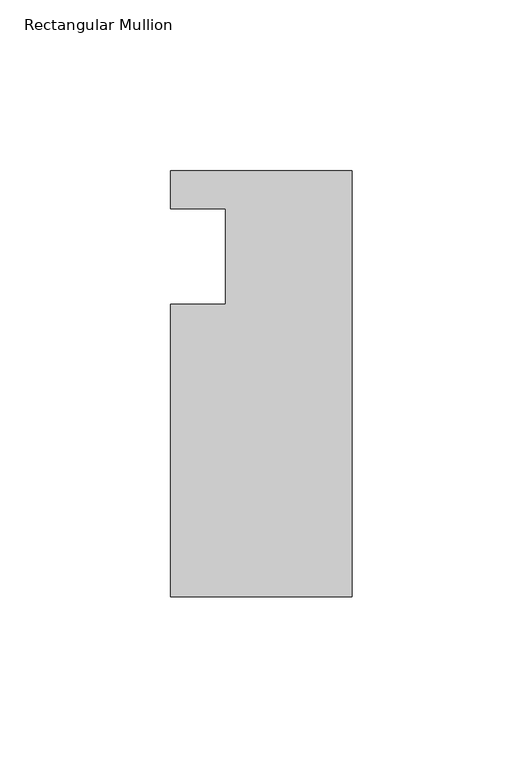
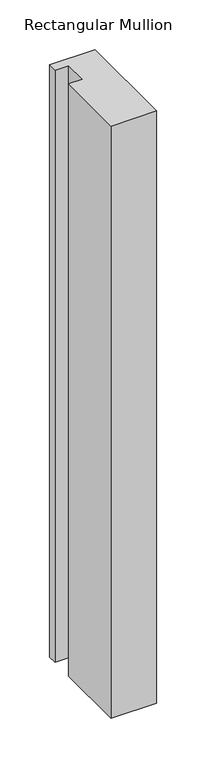
"""IFC4 building model written with IfcOpenShell, lengths in millimetres: member geometry, Rectangular Mullion."""

from ifc_helpers import new_model, si_unit, frame, origin, place, context, project, spatial, polyline, outline, extrude, source, transform, mapped, element, save


def rectangular_mullion_17c25fba(model_context):
    return source(origin(), model_context, "Body", "SweptSolid", [
        extrude(outline(polyline([(-37.0, 13.9999453), (-53.0, 13.9999453), (-53.0, 24.9999453), (0.0, 24.9999453), (0.0, -99.5000547), (-53.0, -99.5000547), (-53.0, -14.0000547), (-37.0, -14.0000547), (-37.0, 13.9999453)])), frame((0.0, 0.0, -729.0936625), z_axis=(0.0, 0.0, 1.0), x_axis=(1.0, 0.0, 0.0)), (0.0, 0.0, 1.0), 729.0936625),
    ])


if __name__ == "__main__":
    model = new_model("IFC4")
    model_context = context("Model", 3, world=origin())
    ifc_project = project(units=[si_unit("LENGTHUNIT", "METRE", prefix="MILLI")], contexts=[model_context])
    site = spatial("IfcSite", under=ifc_project)
    building = spatial("IfcBuilding", under=site)
    placement = place(None, origin())
    rectangular_mullion_shape = rectangular_mullion_17c25fba(model_context)
    element("IfcMember", 1, ObjectType="Rectangular Mullion", at=placement, inside=building, context=model_context, shape_type="MappedRepresentation", body=[
        mapped(rectangular_mullion_shape, transform((0.0, 0.0, 0.0), x_axis=(1.0, 0.0, 0.0), y_axis=(0.0, 1.0, 0.0), z_axis=(0.0, 0.0, 1.0))),
    ])
    save(model, "model.ifc")
